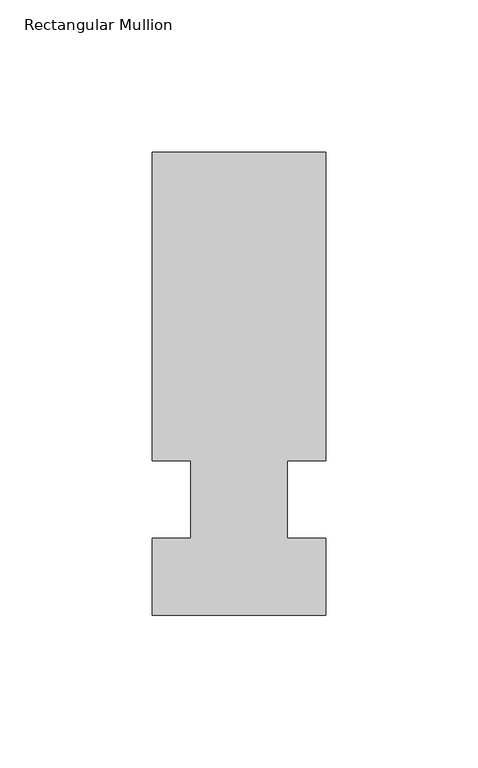
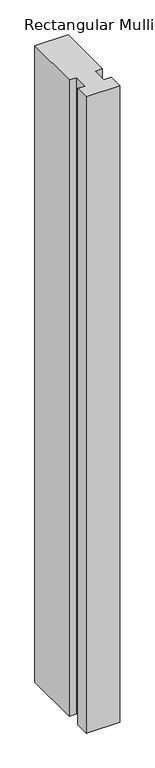
"""IFC4 building model written with IfcOpenShell, lengths in millimetres: member geometry, Rectangular Mullion."""

from ifc_helpers import new_model, si_unit, frame, origin, place, context, project, spatial, polyline, outline, extrude, source, transform, mapped, element, save


def rectangular_mullion_d6d66f31(model_context):
    return source(origin(), model_context, "Body", "SweptSolid", [
        extrude(outline(polyline([(32.9094027, 114.3), (32.9094027, 12.7), (20.2076322, 12.7), (20.2076322, -12.7), (32.9094027, -12.7), (32.9094027, -38.1), (-24.2405973, -38.1), (-24.2405973, -12.7), (-11.5405973, -12.7), (-11.5405973, 12.7), (-24.2405973, 12.7), (-24.2405973, 114.3), (32.9094027, 114.3)])), frame((0.0, 0.0, -1152.525), z_axis=(0.0, 0.0, 1.0), x_axis=(1.0, 0.0, 0.0)), (0.0, 0.0, 1.0), 1152.525),
    ])


if __name__ == "__main__":
    model = new_model("IFC4")
    model_context = context("Model", 3, world=origin())
    ifc_project = project(units=[si_unit("LENGTHUNIT", "METRE", prefix="MILLI")], contexts=[model_context])
    site = spatial("IfcSite", under=ifc_project)
    building = spatial("IfcBuilding", under=site)
    placement = place(None, origin())
    rectangular_mullion_shape = rectangular_mullion_d6d66f31(model_context)
    element("IfcMember", 1, ObjectType="Rectangular Mullion", at=placement, inside=building, context=model_context, shape_type="MappedRepresentation", body=[
        mapped(rectangular_mullion_shape, transform((0.0, 0.0, 0.0), x_axis=(1.0, 0.0, 0.0), y_axis=(0.0, 1.0, 0.0), z_axis=(0.0, 0.0, 1.0))),
    ])
    save(model, "model.ifc")
